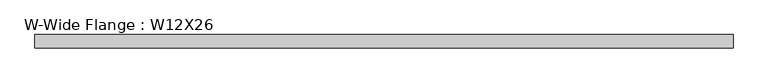
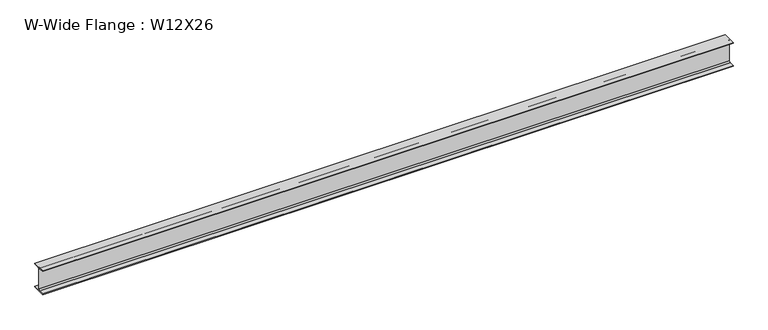
"""IFC4 building model written with IfcOpenShell, lengths in millimetres: beam geometry, W-Wide Flange : W12X26."""

from ifc_helpers import new_model, si_unit, point, frame, frame_2d, origin, place, context, project, spatial, polyline, circle_curve, trimmed, segment, composite_curve, outline, extrude, source, transform, mapped, element, save


def w_wide_flange_w12x26_38d46440(model_context):
    return source(origin(), model_context, "Body", "SweptSolid", [
        extrude(outline(composite_curve([segment(polyline([(82.4011719, -145.5539063), (82.4011719, -155.178125), (-82.4011719, -155.178125), (-82.4011719, -145.5539063), (-20.2902344, -145.5539063)]), True, "CONTINUOUS"), segment(trimmed(circle_curve(frame_2d((-20.2902344, -128.190625)), 17.3632812), [point((-20.2902344, -145.5539063))], [point((-2.9269531, -128.190625))], True, "CARTESIAN"), True, "CONTINUOUS"), segment(polyline([(-2.9269531, -128.190625), (-2.9269531, 128.190625)]), True, "CONTINUOUS"), segment(trimmed(circle_curve(frame_2d((-20.2902344, 128.190625)), 17.3632812), [point((-2.9269531, 128.190625))], [point((-20.2902344, 145.5539062))], True, "CARTESIAN"), True, "CONTINUOUS"), segment(polyline([(-20.2902344, 145.5539062), (-82.4011719, 145.5539062), (-82.4011719, 155.178125), (82.4011719, 155.178125), (82.4011719, 145.5539062), (20.2902344, 145.5539062)]), True, "CONTINUOUS"), segment(trimmed(circle_curve(frame_2d((20.2902344, 128.190625)), 17.3632812), [point((20.2902344, 145.5539062))], [point((2.9269531, 128.190625))], True, "CARTESIAN"), True, "CONTINUOUS"), segment(polyline([(2.9269531, 128.190625), (2.9269531, -128.190625)]), True, "CONTINUOUS"), segment(trimmed(circle_curve(frame_2d((20.2902344, -128.190625)), 17.3632812), [point((2.9269531, -128.190625))], [point((20.2902344, -145.5539063))], True, "CARTESIAN"), True, "CONTINUOUS"), segment(polyline([(20.2902344, -145.5539063), (82.4011719, -145.5539063)]), True, "CONTINUOUS")], self_intersect=False)), frame((-4162.425, 0.0, 0.0), z_axis=(1.0, 0.0, 0.0), x_axis=(0.0, 1.0, 0.0)), (0.0, 0.0, 1.0), 8489.95),
    ])


if __name__ == "__main__":
    model = new_model("IFC4")
    model_context = context("Model", 3, world=origin())
    ifc_project = project(units=[si_unit("LENGTHUNIT", "METRE", prefix="MILLI")], contexts=[model_context])
    site = spatial("IfcSite", under=ifc_project)
    building = spatial("IfcBuilding", under=site)
    placement = place(None, origin())
    w_wide_flange_w12x26_shape = w_wide_flange_w12x26_38d46440(model_context)
    element("IfcBeam", 1, ObjectType="W-Wide Flange : W12X26", at=placement, inside=building, context=model_context, shape_type="MappedRepresentation", body=[
        mapped(w_wide_flange_w12x26_shape, transform((0.0, 0.0, 0.0), x_axis=(1.0, 0.0, 0.0), y_axis=(0.0, 1.0, 0.0), z_axis=(0.0, 0.0, 1.0))),
    ])
    save(model, "model.ifc")
